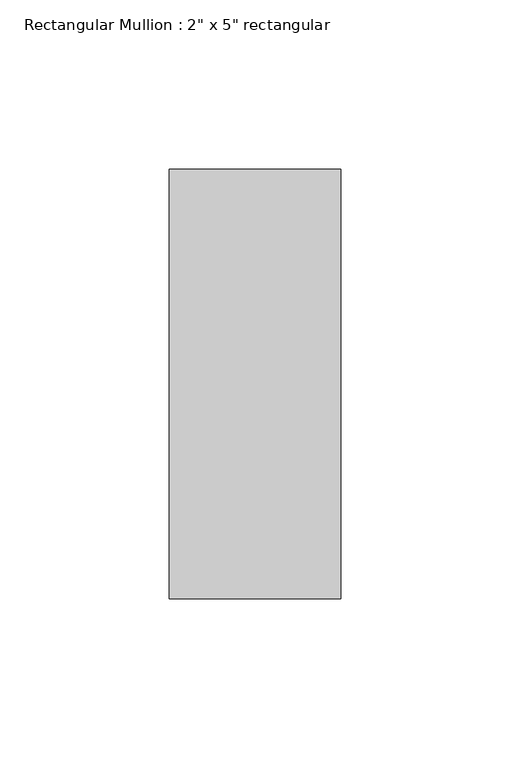
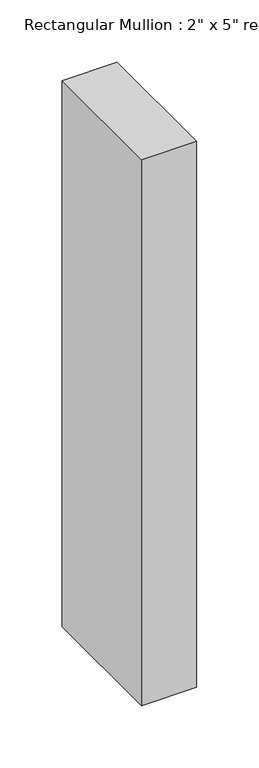
"""IFC4 building model written with IfcOpenShell, lengths in millimetres: member geometry."""

from ifc_helpers import new_model, si_unit, frame, origin, place, context, project, spatial, polyline, outline, extrude, source, transform, mapped, element, save


def member_05971f48(model_context):
    return source(origin(), model_context, "Body", "SweptSolid", [
        extrude(outline(polyline([(25.4, 63.5), (25.4, -63.5), (-25.4, -63.5), (-25.4, 63.5), (25.4, 63.5)])), frame((0.0, 0.0, -533.4), z_axis=(0.0, 0.0, 1.0), x_axis=(1.0, 0.0, 0.0)), (0.0, 0.0, 1.0), 533.4),
    ])


if __name__ == "__main__":
    model = new_model("IFC4")
    model_context = context("Model", 3, world=origin())
    ifc_project = project(units=[si_unit("LENGTHUNIT", "METRE", prefix="MILLI")], contexts=[model_context])
    site = spatial("IfcSite", under=ifc_project)
    building = spatial("IfcBuilding", under=site)
    placement = place(None, origin())
    member_shape = member_05971f48(model_context)
    element("IfcMember", 1, ObjectType="Rectangular Mullion : 2\" x 5\" rectangular", at=placement, inside=building, context=model_context, shape_type="MappedRepresentation", body=[
        mapped(member_shape, transform((0.0, 0.0, 0.0), x_axis=(1.0, 0.0, 0.0), y_axis=(0.0, 1.0, 0.0), z_axis=(0.0, 0.0, 1.0))),
    ])
    save(model, "model.ifc")
